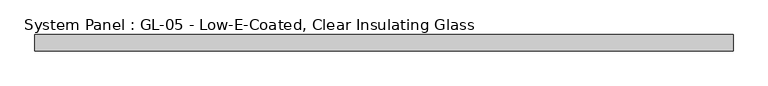
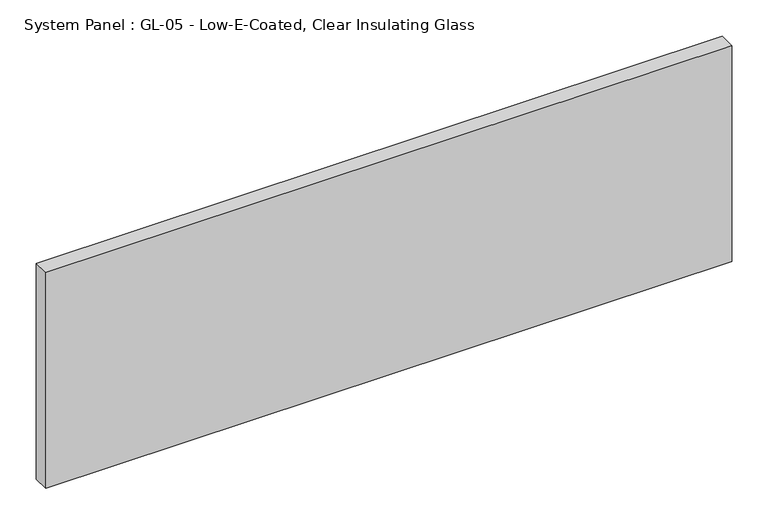
"""IFC4 building model written with IfcOpenShell, lengths in millimetres: plate geometry, System Panel : GL-05 - Low-E-Coated, Clear Insulating Glass."""

from ifc_helpers import new_model, si_unit, origin, origin_with_axes, place, context, project, spatial, polyline, outline, extrude, source, transform, mapped, element, save


def system_panel_gl_05_low_e_coated_clear_insulating_glass_4da92597(model_context):
    return source(origin(), model_context, "Body", "SweptSolid", [
        extrude(outline(polyline([(543.0178366, -12.7), (-543.0178366, -12.7), (-543.0178366, 12.7), (543.0178366, 12.7), (543.0178366, -12.7)])), origin_with_axes(), (0.0, 0.0, 1.0), 361.95),
    ])


if __name__ == "__main__":
    model = new_model("IFC4")
    model_context = context("Model", 3, world=origin())
    ifc_project = project(units=[si_unit("LENGTHUNIT", "METRE", prefix="MILLI")], contexts=[model_context])
    site = spatial("IfcSite", under=ifc_project)
    building = spatial("IfcBuilding", under=site)
    placement = place(None, origin())
    system_panel_gl_05_low_e_coated_clear_insulating_glass_shape = system_panel_gl_05_low_e_coated_clear_insulating_glass_4da92597(model_context)
    element("IfcPlate", 1, ObjectType="System Panel : GL-05 - Low-E-Coated, Clear Insulating Glass", at=placement, inside=building, context=model_context, shape_type="MappedRepresentation", body=[
        mapped(system_panel_gl_05_low_e_coated_clear_insulating_glass_shape, transform((0.0, 0.0, 0.0), x_axis=(1.0, 0.0, 0.0), y_axis=(0.0, 1.0, 0.0), z_axis=(0.0, 0.0, 1.0))),
    ])
    save(model, "model.ifc")
